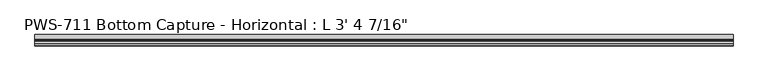
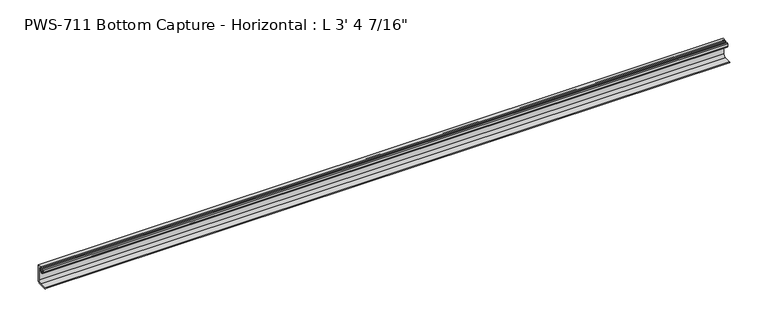
"""IFC4 building model written with IfcOpenShell, lengths in millimetres: proxy geometry."""

from ifc_helpers import new_model, si_unit, point, frame, frame_2d, origin, place, context, project, spatial, polyline, circle_curve, trimmed, segment, composite_curve, outline, extrude, source, transform, mapped, element, save


def proxy_4eb3e0c7(model_context):
    return source(origin(), model_context, "Body", "SweptSolid", [
        extrude(outline(composite_curve([segment(trimmed(circle_curve(frame_2d((7.4969327, 25.3660159)), 3.2037832), [point((8.128, 22.225))], [point((10.541, 24.367076))], True, "CARTESIAN"), True, "CONTINUOUS"), segment(polyline([(10.541, 24.367076), (10.541, 26.8752912), (9.652, 26.8752912), (9.652, 27.6666341)]), True, "CONTINUOUS"), segment(trimmed(circle_curve(frame_2d((10.7705936, 27.4320794)), 1.1429206), [point((9.652, 27.6666341))], [point((10.7705936, 28.575))], False, "CARTESIAN"), True, "CONTINUOUS"), segment(polyline([(10.7705936, 28.575), (16.8275, 28.575), (16.8275, 2.032), (15.24, 2.032), (15.24, 0.0), (0.79375, 0.0)]), True, "CONTINUOUS"), segment(trimmed(circle_curve(frame_2d((0.79375, 0.79375)), 0.79375), [point((0.79375, 0.0))], [point((0.79375, 1.5875))], False, "CARTESIAN"), True, "CONTINUOUS"), segment(polyline([(0.79375, 1.5875), (10.9894826, 1.5875)]), True, "CONTINUOUS"), segment(trimmed(circle_curve(frame_2d((10.0322652, 6.7952348)), 5.2949756), [point((10.9894826, 1.5875))], [point((15.1327452, 5.3733097))], True, "CARTESIAN"), True, "CONTINUOUS"), segment(polyline([(15.1327452, 5.3733097), (15.1327452, 26.19248)]), True, "CONTINUOUS"), segment(trimmed(circle_curve(frame_2d((14.3377252, 26.19248)), 0.79502), [point((15.1327452, 26.19248))], [point((14.3377252, 26.9875))], True, "CARTESIAN"), True, "CONTINUOUS"), segment(polyline([(14.3377252, 26.9875), (12.92352, 26.9875)]), True, "CONTINUOUS"), segment(trimmed(circle_curve(frame_2d((12.92352, 26.19248)), 0.79502), [point((12.92352, 26.9875))], [point((12.1285, 26.19248))], True, "CARTESIAN"), True, "CONTINUOUS"), segment(polyline([(12.1285, 26.19248), (12.1285, 24.1392401)]), True, "CONTINUOUS"), segment(trimmed(circle_curve(frame_2d((7.4969327, 25.3660159)), 4.7912832), [point((12.1285, 24.1392401))], [point((8.128, 20.6164739))], False, "CARTESIAN"), True, "CONTINUOUS"), segment(trimmed(circle_curve(frame_2d((8.7590673, 25.3660159)), 4.7912832), [point((8.128, 20.6164739))], [point((4.1275, 24.1392401))], False, "CARTESIAN"), True, "CONTINUOUS"), segment(polyline([(4.1275, 24.1392401), (4.1275, 27.813), (6.4647806, 27.813)]), True, "CONTINUOUS"), segment(trimmed(circle_curve(frame_2d((5.5030121, 27.2398966)), 1.1195742), [point((6.4647806, 27.813))], [point((6.5615531, 26.8752912))], False, "CARTESIAN"), True, "CONTINUOUS"), segment(polyline([(6.5615531, 26.8752912), (5.715, 26.8752912), (5.715, 24.367076)]), True, "CONTINUOUS"), segment(trimmed(circle_curve(frame_2d((8.7590673, 25.3660159)), 3.2037832), [point((5.715, 24.367076))], [point((8.128, 22.225))], True, "CARTESIAN"), True, "CONTINUOUS")], self_intersect=False)), frame((0.0, 0.0, 0.0), z_axis=(1.0, 0.0, 0.0), x_axis=(0.0, 1.0, 0.0)), (0.0, 0.0, 1.0), 1027.1125),
    ])


if __name__ == "__main__":
    model = new_model("IFC4")
    model_context = context("Model", 3, world=origin())
    ifc_project = project(units=[si_unit("LENGTHUNIT", "METRE", prefix="MILLI")], contexts=[model_context])
    site = spatial("IfcSite", under=ifc_project)
    building = spatial("IfcBuilding", under=site)
    placement = place(None, origin())
    proxy_shape = proxy_4eb3e0c7(model_context)
    element("IfcBuildingElementProxy", 1, Name="PWS-711 Bottom Capture - Horizontal : L 3' 4 7/16\"", ObjectType="PWS-711 Bottom Capture - Horizontal : L 3' 4 7/16\"", at=placement, inside=building, context=model_context, shape_type="MappedRepresentation", body=[
        mapped(proxy_shape, transform((0.0, 0.0, 0.0), x_axis=(1.0, 0.0, 0.0), y_axis=(0.0, 1.0, 0.0), z_axis=(0.0, 0.0, 1.0))),
    ])
    save(model, "model.ifc")
